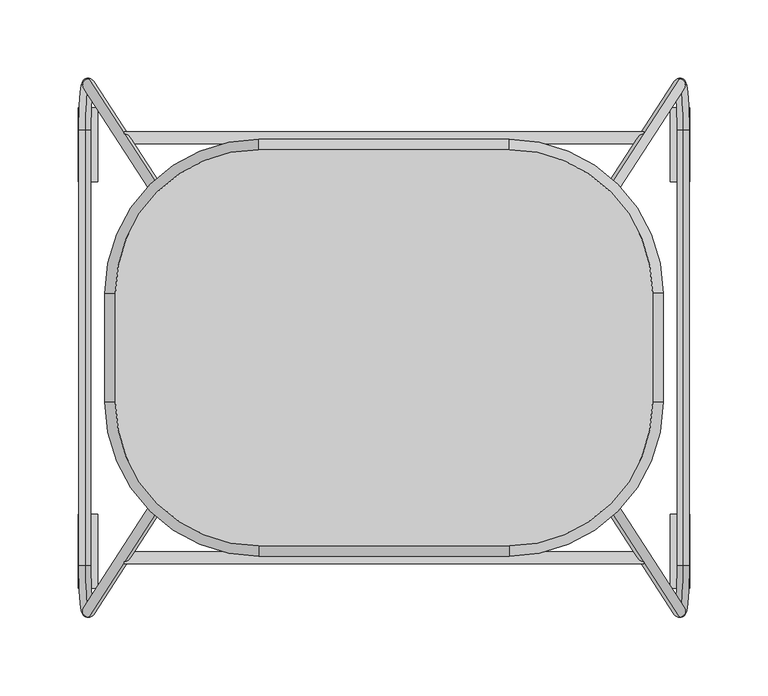
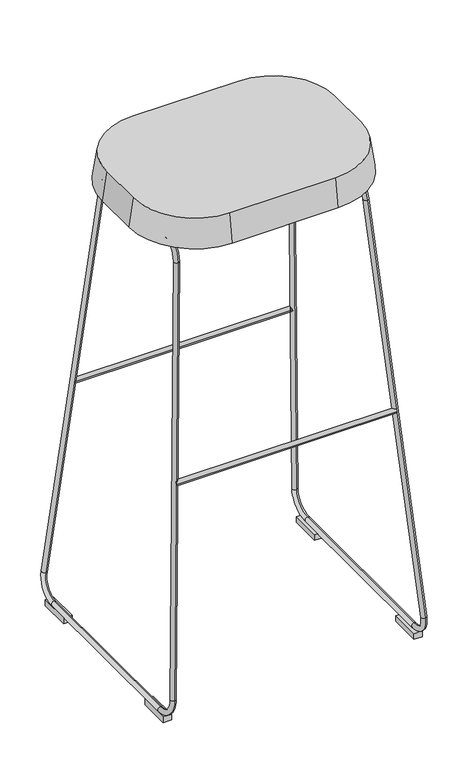
"""IFC4 building model written with IfcOpenShell, lengths in millimetres: furniture geometry."""

from ifc_helpers import new_model, si_unit, point, frame, frame_2d, origin, origin_with_axes, place, context, project, spatial, polyline, circle_curve, ellipse_curve, trimmed, segment, composite_curve, outline, extrude, source, transform, mapped, element, save
from ifc_brep_helpers import plane_surface, cylinder_surface, revolved_surface, advanced_brep


def furniture_77eb3852(model_context):
    return source(origin(), model_context, "Body", "SolidModel", [
        extrude(outline(composite_curve([segment(trimmed(circle_curve(frame_2d((-134.3392785, 359.3328814)), 3.8643329), [point((-138.2036115, 359.3328814))], [point((-130.4749456, 359.3328814))], False, "CARTESIAN"), True, "CONTINUOUS"), segment(trimmed(circle_curve(frame_2d((-134.3392785, 359.3328814)), 3.8643329), [point((-130.4749456, 359.3328814))], [point((-138.2036115, 359.3328814))], False, "CARTESIAN"), True, "CONTINUOUS")], self_intersect=False)), frame((-166.2553498, 0.0, 0.0), z_axis=(1.0, 0.0, 0.0), x_axis=(0.0, 1.0, 0.0)), (0.0, 0.0, 1.0), 332.5459748),
        extrude(outline(composite_curve([segment(trimmed(circle_curve(frame_2d((134.3392785, 359.3328814)), 3.8643329), [point((130.4749456, 359.3328814))], [point((138.2036115, 359.3328814))], False, "CARTESIAN"), True, "CONTINUOUS"), segment(trimmed(circle_curve(frame_2d((134.3392785, 359.3328814)), 3.8643329), [point((138.2036115, 359.3328814))], [point((130.4749456, 359.3328814))], False, "CARTESIAN"), True, "CONTINUOUS")], self_intersect=False)), frame((-166.2553498, 0.0, 0.0), z_axis=(1.0, 0.0, 0.0), x_axis=(0.0, 1.0, 0.0)), (0.0, 0.0, 1.0), 332.5459748),
        advanced_brep(
        [(140.8567394, -69.6460532, 711.4858027), (141.3278148, -69.6460532, 703.6533505), (-140.8567394, -69.6460532, 711.4858027), (-141.3278148, -69.6460532, 703.6533505)],
        [
            (0, 1, circle_curve(frame((141.0922771, -69.6460532, 707.5695766), z_axis=(0.9981962390833726, 0.0, 0.0600355584617176), x_axis=(0.0600355584617176, 0.0, -0.9981962390833726)), 3.9233028)),
            (1, 0, circle_curve(frame((141.0922771, -69.6460532, 707.5695766), z_axis=(0.9981962390833726, 0.0, 0.0600355584617176), x_axis=(0.0600355584617176, 0.0, -0.9981962390833726)), 3.9233028)),
            (2, 3, circle_curve(frame((-141.0922771, -69.6460532, 707.5695766), z_axis=(-0.9981962390833747, 0.0, 0.060035558461683555), x_axis=(-0.060035558461683555, 0.0, -0.9981962390833747)), 3.9233028)),
            (3, 2, circle_curve(frame((-141.0922771, -69.6460532, 707.5695766), z_axis=(-0.9981962390833747, 0.0, 0.060035558461683555), x_axis=(-0.060035558461683555, 0.0, -0.9981962390833747)), 3.9233028)),
            (3, 1, circle_curve(frame((0.0, -69.6460532, 3053.475636), z_axis=(0.0, -1.0, 0.0), x_axis=(0.0600355584617176, 0.0, -0.9981962390833726)), 2354.0684622)),
            (0, 2, circle_curve(frame((0.0, -69.6460532, 3053.475636), z_axis=(0.0, 1.0, 0.0), x_axis=(0.0600355584617176, 0.0, -0.9981962390833726)), 2346.2218566)),
        ],
        [
            plane_surface(frame((141.1466707, 0.0, 706.6651883), z_axis=(0.9981962390833727, 0.0, 0.060035558461717604), x_axis=(0.0, -1.0, 0.0))),
            plane_surface(frame((-141.1466707, 0.0, 706.6651883), z_axis=(-0.9981962390833747, 0.0, 0.06003555846168356), x_axis=(0.0, -1.0, 0.0))),
            revolved_surface(trimmed(ellipse_curve(frame((141.0922771, -69.6460532, 707.5695766), z_axis=(0.9981962390833726, 0.0, 0.0600355584617176), x_axis=(0.0600355584617176, 0.0, -0.9981962390833726)), 3.9233028, 3.9233028), [point((140.8567394, -69.6460532, 711.4858027))], [point((141.3278148, -69.6460532, 703.6533505))], True, "CARTESIAN"), (0.0, 0.0, 3053.475636), (0.0, 1.0, 0.0)),
            revolved_surface(trimmed(ellipse_curve(frame((141.0922771, -69.6460532, 707.5695766), z_axis=(0.9981962390833726, 0.0, 0.0600355584617176), x_axis=(0.0600355584617176, 0.0, -0.9981962390833726)), 3.9233028, 3.9233028), [point((141.3278148, -69.6460532, 703.6533505))], [point((140.8567394, -69.6460532, 711.4858027))], True, "CARTESIAN"), (0.0, 0.0, 3053.475636), (0.0, 1.0, 0.0)),
        ],
        [
            (0, [[1, 2]]),
            (1, [[3, 4]]),
            (2, [[5, -1, 6, -4]]),
            (3, [[-6, -2, -5, -3]]),
        ],
    ),
        advanced_brep(
        [(140.8567394, 61.0883878, 711.4858027), (141.3278148, 61.0883878, 703.6533505), (-140.8567394, 61.0883878, 711.4858027), (-141.3278148, 61.0883878, 703.6533505)],
        [
            (0, 1, circle_curve(frame((141.0922771, 61.0883878, 707.5695766), z_axis=(0.9981962390833726, 0.0, 0.0600355584617176), x_axis=(0.0600355584617176, 0.0, -0.9981962390833726)), 3.9233028)),
            (1, 0, circle_curve(frame((141.0922771, 61.0883878, 707.5695766), z_axis=(0.9981962390833726, 0.0, 0.0600355584617176), x_axis=(0.0600355584617176, 0.0, -0.9981962390833726)), 3.9233028)),
            (2, 3, circle_curve(frame((-141.0922771, 61.0883878, 707.5695766), z_axis=(-0.9981962390833747, 0.0, 0.060035558461683555), x_axis=(-0.060035558461683555, 0.0, -0.9981962390833747)), 3.9233028)),
            (3, 2, circle_curve(frame((-141.0922771, 61.0883878, 707.5695766), z_axis=(-0.9981962390833747, 0.0, 0.060035558461683555), x_axis=(-0.060035558461683555, 0.0, -0.9981962390833747)), 3.9233028)),
            (3, 1, circle_curve(frame((0.0, 61.0883878, 3053.475636), z_axis=(0.0, -1.0, 0.0), x_axis=(0.0600355584617176, 0.0, -0.9981962390833726)), 2354.0684622)),
            (0, 2, circle_curve(frame((0.0, 61.0883878, 3053.475636), z_axis=(0.0, 1.0, 0.0), x_axis=(0.0600355584617176, 0.0, -0.9981962390833726)), 2346.2218566)),
        ],
        [
            plane_surface(frame((141.1466707, 0.0, 706.6651883), z_axis=(0.9981962390833727, 0.0, 0.060035558461717604), x_axis=(0.0, -1.0, 0.0))),
            plane_surface(frame((-141.1466707, 0.0, 706.6651883), z_axis=(-0.9981962390833747, 0.0, 0.06003555846168356), x_axis=(0.0, -1.0, 0.0))),
            revolved_surface(trimmed(ellipse_curve(frame((141.0922771, 61.0883878, 707.5695766), z_axis=(0.9981962390833726, 0.0, 0.0600355584617176), x_axis=(0.0600355584617176, 0.0, -0.9981962390833726)), 3.9233028, 3.9233028), [point((140.8567394, 61.0883878, 711.4858027))], [point((141.3278148, 61.0883878, 703.6533505))], True, "CARTESIAN"), (0.0, 0.0, 3053.475636), (0.0, 1.0, 0.0)),
            revolved_surface(trimmed(ellipse_curve(frame((141.0922771, 61.0883878, 707.5695766), z_axis=(0.9981962390833726, 0.0, 0.0600355584617176), x_axis=(0.0600355584617176, 0.0, -0.9981962390833726)), 3.9233028, 3.9233028), [point((141.3278148, 61.0883878, 703.6533505))], [point((140.8567394, 61.0883878, 711.4858027))], True, "CARTESIAN"), (0.0, 0.0, 3053.475636), (0.0, 1.0, 0.0)),
        ],
        [
            (0, [[1, 2]]),
            (1, [[3, 4]]),
            (2, [[5, -1, 6, -4]]),
            (3, [[-6, -2, -5, -3]]),
        ],
    ),
        advanced_brep(
        [(189.0251842, 172.3669079, 43.6361928), (191.6711433, 139.4457291, 6.9499124), (191.1151757, 139.4457291, 14.6584151), (189.086579, 164.6856491, 42.7849531), (143.0249027, 93.5425009, 681.4310979), (142.963508, 101.2237597, 682.2823376), (140.8438137, 68.3025809, 711.6719452), (141.3997813, 68.3025809, 703.9634425), (141.3997813, -68.3025809, 703.9634425), (140.8438137, -68.3025809, 711.6719452), (142.963508, -101.2237597, 682.2823376), (143.0249027, -93.5425009, 681.4310979), (189.086579, -164.6856491, 42.7849531), (189.0251842, -172.3669079, 43.6361928), (191.6711433, -139.4457291, 6.9499124), (191.1151757, -139.4457291, 14.6584151)],
        [
            (0, 1, circle_curve(frame((189.2883166, 139.4457291, 39.9878564), z_axis=(-0.9974091721151543, 0.0, -0.07193707931631962), x_axis=(0.07193707931631962, 0.0, -0.9974091721151543)), 33.123762)),
            (1, 2, circle_curve(frame((191.3931595, 139.4457291, 10.8041637), z_axis=(0.0, 1.0, 0.0), x_axis=(-0.0719370793163196, 0.0, 0.9974091721151543)), 3.864263)),
            (2, 3, circle_curve(frame((189.2883166, 139.4457291, 39.9878564), z_axis=(0.9974091721151543, 0.0, 0.07193707931631962), x_axis=(0.07193707931631962, 0.0, -0.9974091721151543)), 25.395236)),
            (3, 0, circle_curve(frame((189.0558816, 168.5262785, 43.2105729), z_axis=(0.07149711583528118, 0.11042867568855079, -0.9913090688644531), x_axis=(0.007943916401803443, -0.9938840513790694, -0.11014257399629031)), 3.864263)),
            (2, 1, circle_curve(frame((191.3931595, 139.4457291, 10.8041637), z_axis=(0.0, 1.0, 0.0), x_axis=(-0.0719370793163196, 0.0, 0.9974091721151543)), 3.864263)),
            (0, 3, circle_curve(frame((189.0558816, 168.5262785, 43.2105729), z_axis=(0.07149711583528118, 0.11042867568855123, -0.9913090688644531), x_axis=(0.007943916401803475, -0.9938840513790694, -0.11014257399629075)), 3.864263)),
            (3, 4),
            (4, 5, circle_curve(frame((142.9942053, 97.3831303, 681.8567177), z_axis=(0.07149711583528126, 0.11042867568855086, -0.9913090688644532), x_axis=(0.007943916401803447, -0.9938840513790695, -0.11014257399629038)), 3.864263)),
            (5, 0),
            (5, 4, circle_curve(frame((142.9942053, 97.3831303, 681.8567177), z_axis=(0.07149711583528126, 0.11042867568855086, -0.9913090688644532), x_axis=(0.007943916401803447, -0.9938840513790695, -0.11014257399629038)), 3.864263)),
            (6, 5, circle_curve(frame((143.2266404, 68.3025809, 678.6340012), z_axis=(-0.9974091721151543, 0.0, -0.07193707931631962), x_axis=(-0.007943916401803313, 0.9938840513790697, 0.11014257399628892)), 33.123762)),
            (4, 7, circle_curve(frame((143.2266404, 68.3025809, 678.6340012), z_axis=(0.9974091721151543, 0.0, 0.07193707931631962), x_axis=(-0.007943916401803313, 0.9938840513790697, 0.11014257399628892)), 25.395236)),
            (7, 6, circle_curve(frame((141.1217975, 68.3025809, 707.8176939), z_axis=(0.0, 1.0, 0.0), x_axis=(0.07193707931631964, 0.0, -0.9974091721151543)), 3.864263)),
            (6, 7, circle_curve(frame((141.1217975, 68.3025809, 707.8176939), z_axis=(0.0, 1.0, 0.0), x_axis=(0.07193707931631962, 0.0, -0.9974091721151542)), 3.864263)),
            (7, 8),
            (8, 9, circle_curve(frame((141.1217975, -68.3025809, 707.8176939), z_axis=(0.0, 1.0, 0.0), x_axis=(0.07193707931631965, 0.0, -0.9974091721151543)), 3.864263)),
            (9, 6),
            (9, 8, circle_curve(frame((141.1217975, -68.3025809, 707.8176939), z_axis=(0.0, 1.0, 0.0), x_axis=(0.07193707931631965, 0.0, -0.9974091721151543)), 3.864263)),
            (10, 9, circle_curve(frame((143.2266404, -68.3025809, 678.6340012), z_axis=(-0.9974091721151543, 0.0, -0.07193707931631962), x_axis=(-0.07193707931631962, 0.0, 0.9974091721151543)), 33.123762)),
            (8, 11, circle_curve(frame((143.2266404, -68.3025809, 678.6340012), z_axis=(0.9974091721151543, 0.0, 0.07193707931631962), x_axis=(-0.07193707931631962, 0.0, 0.9974091721151543)), 25.395236)),
            (11, 10, circle_curve(frame((142.9942053, -97.3831303, 681.8567177), z_axis=(-0.07149711583528122, 0.11042867568855574, 0.9913090688644527), x_axis=(0.007943916401803799, 0.993884051379069, -0.11014257399629525)), 3.864263)),
            (10, 11, circle_curve(frame((142.9942053, -97.3831303, 681.8567177), z_axis=(-0.07149711583528123, 0.11042867568855398, 0.9913090688644528), x_axis=(0.007943916401803672, 0.9938840513790691, -0.1101425739962935)), 3.864263)),
            (11, 12),
            (12, 13, circle_curve(frame((189.0558816, -168.5262785, 43.2105729), z_axis=(-0.07149711583528134, 0.11042867568855075, 0.9913090688644532), x_axis=(0.007943916401803431, 0.9938840513790695, -0.11014257399629027)), 3.864263)),
            (13, 10),
            (13, 12, circle_curve(frame((189.0558816, -168.5262785, 43.2105729), z_axis=(-0.07149711583528134, 0.11042867568855075, 0.9913090688644532), x_axis=(0.007943916401803431, 0.9938840513790695, -0.11014257399629027)), 3.864263)),
            (14, 13, circle_curve(frame((189.2883166, -139.4457291, 39.9878564), z_axis=(-0.9974091721151543, 0.0, -0.07193707931631962), x_axis=(-0.007943916401803856, -0.9938840513790689, 0.11014257399629643)), 33.123762)),
            (12, 15, circle_curve(frame((189.2883166, -139.4457291, 39.9878564), z_axis=(0.9974091721151543, 0.0, 0.07193707931631962), x_axis=(-0.007943916401803856, -0.9938840513790689, 0.11014257399629643)), 25.395236)),
            (15, 14, circle_curve(frame((191.3931595, -139.4457291, 10.8041637), z_axis=(0.0, -1.0, 0.0), x_axis=(-0.07193707931631962, 0.0, 0.9974091721151543)), 3.864263)),
            (14, 15, circle_curve(frame((191.3931595, -139.4457291, 10.8041637), z_axis=(0.0, -1.0000000000000002, 0.0), x_axis=(-0.07193707931631962, 0.0, 0.9974091721151543)), 3.864263)),
            (15, 2),
            (1, 14),
        ],
        [
            revolved_surface(trimmed(ellipse_curve(frame((191.3931595, 139.4457291, 10.8041637), z_axis=(0.0, -1.0, 0.0), x_axis=(-0.0719370793163196, 0.0, 0.9974091721151543)), 3.864263, 3.864263), [point((191.1151757, 139.4457291, 14.6584151))], [point((191.6711433, 139.4457291, 6.9499124))], True, "CARTESIAN"), (189.4809729, 139.4457291, 40.0017515), (0.9974091721151543, 0.0, 0.07193707931631962)),
            revolved_surface(trimmed(ellipse_curve(frame((191.3931595, 139.4457291, 10.8041637), z_axis=(0.0, -1.0, 0.0), x_axis=(-0.0719370793163196, 0.0, 0.9974091721151543)), 3.864263, 3.864263), [point((191.6711433, 139.4457291, 6.9499124))], [point((191.1151757, 139.4457291, 14.6584151))], True, "CARTESIAN"), (189.4809729, 139.4457291, 40.0017515), (0.9974091721151543, 0.0, 0.07193707931631962)),
            cylinder_surface(frame((189.0558816, 168.5262785, 43.2105729), z_axis=(0.07149711583528126, 0.11042867568855086, -0.9913090688644532), x_axis=(0.007943916401803447, -0.9938840513790695, -0.11014257399629038)), 3.864263),
            revolved_surface(trimmed(ellipse_curve(frame((142.9942053, 97.3831303, 681.8567177), z_axis=(0.07149711583528119, 0.11042867568854949, -0.9913090688644534), x_axis=(0.00794391640180334, -0.9938840513790697, -0.11014257399628902)), 3.864263, 3.864263), [point((143.0249027, 93.5425009, 681.4310979))], [point((142.963508, 101.2237597, 682.2823376))], True, "CARTESIAN"), (143.4192967, 68.3025809, 678.6478963), (0.9974091721151543, 0.0, 0.07193707931631962)),
            revolved_surface(trimmed(ellipse_curve(frame((142.9942053, 97.3831303, 681.8567177), z_axis=(0.07149711583528119, 0.11042867568854949, -0.9913090688644534), x_axis=(0.00794391640180334, -0.9938840513790697, -0.11014257399628902)), 3.864263, 3.864263), [point((142.963508, 101.2237597, 682.2823376))], [point((143.0249027, 93.5425009, 681.4310979))], True, "CARTESIAN"), (143.4192967, 68.3025809, 678.6478963), (0.9974091721151543, 0.0, 0.07193707931631962)),
            cylinder_surface(frame((141.1217975, 68.3025809, 707.8176939), z_axis=(0.0, 1.0, 0.0), x_axis=(0.07193707931631965, 0.0, -0.9974091721151543)), 3.864263),
            revolved_surface(trimmed(ellipse_curve(frame((141.1217975, -68.3025809, 707.8176939), z_axis=(0.0, 1.0, 0.0), x_axis=(0.07193707931631965, 0.0, -0.9974091721151543)), 3.864263, 3.864263), [point((141.3997813, -68.3025809, 703.9634425))], [point((140.8438137, -68.3025809, 711.6719452))], True, "CARTESIAN"), (143.4192967, -68.3025809, 678.6478963), (0.9974091721151543, 0.0, 0.07193707931631962)),
            revolved_surface(trimmed(ellipse_curve(frame((141.1217975, -68.3025809, 707.8176939), z_axis=(0.0, 1.0, 0.0), x_axis=(0.07193707931631965, 0.0, -0.9974091721151543)), 3.864263, 3.864263), [point((140.8438137, -68.3025809, 711.6719452))], [point((141.3997813, -68.3025809, 703.9634425))], True, "CARTESIAN"), (143.4192967, -68.3025809, 678.6478963), (0.9974091721151543, 0.0, 0.07193707931631962)),
            cylinder_surface(frame((142.9942053, -97.3831303, 681.8567177), z_axis=(-0.07149711583528134, 0.11042867568855075, 0.9913090688644532), x_axis=(0.007943916401803431, 0.9938840513790695, -0.11014257399629027)), 3.864263),
            revolved_surface(trimmed(ellipse_curve(frame((189.0558816, -168.5262785, 43.2105729), z_axis=(-0.0714971158352812, 0.11042867568855688, 0.9913090688644526), x_axis=(0.007943916401803872, 0.9938840513790689, -0.11014257399629639)), 3.864263, 3.864263), [point((189.086579, -164.6856491, 42.7849531))], [point((189.0251842, -172.3669079, 43.6361928))], True, "CARTESIAN"), (189.4809729, -139.4457291, 40.0017515), (0.9974091721151543, 0.0, 0.07193707931631962)),
            revolved_surface(trimmed(ellipse_curve(frame((189.0558816, -168.5262785, 43.2105729), z_axis=(-0.0714971158352812, 0.11042867568855688, 0.9913090688644526), x_axis=(0.007943916401803872, 0.9938840513790689, -0.11014257399629639)), 3.864263, 3.864263), [point((189.0251842, -172.3669079, 43.6361928))], [point((189.086579, -164.6856491, 42.7849531))], True, "CARTESIAN"), (189.4809729, -139.4457291, 40.0017515), (0.9974091721151543, 0.0, 0.07193707931631962)),
            cylinder_surface(frame((191.3931595, -139.4457291, 10.8041637), z_axis=(0.0, -1.0000000000000002, 0.0), x_axis=(-0.07193707931631961, 0.0, 0.9974091721151545)), 3.864263),
        ],
        [
            (0, [[1, 2, 3, 4]]),
            (1, [[-3, 5, -1, 6]]),
            (2, [[-4, 7, 8, 9]]),
            (2, [[-6, -9, 10, -7]]),
            (3, [[11, -8, 12, 13]]),
            (4, [[-12, -10, -11, 14]]),
            (5, [[-13, 15, 16, 17]]),
            (5, [[-14, -17, 18, -15]]),
            (6, [[19, -16, 20, 21]]),
            (7, [[-20, -18, -19, 22]]),
            (8, [[-21, 23, 24, 25]]),
            (8, [[-22, -25, 26, -23]]),
            (9, [[27, -24, 28, 29]]),
            (10, [[-28, -26, -27, 30]]),
            (11, [[-29, 31, -2, 32]]),
            (11, [[-30, -32, -5, -31]]),
        ],
    ),
        advanced_brep(
        [(-189.0251842, 172.3669079, 43.6361928), (-191.6711433, 139.4457291, 6.9499124), (-191.1151757, 139.4457291, 14.6584151), (-189.086579, 164.6856491, 42.7849531), (-143.0249027, 93.5425009, 681.4310979), (-142.963508, 101.2237597, 682.2823376), (-140.8438137, 68.3025809, 711.6719452), (-141.3997813, 68.3025809, 703.9634425), (-141.3997813, -68.3025809, 703.9634425), (-140.8438137, -68.3025809, 711.6719452), (-142.963508, -101.2237597, 682.2823376), (-143.0249027, -93.5425009, 681.4310979), (-189.086579, -164.6856491, 42.7849531), (-189.0251842, -172.3669079, 43.6361928), (-191.6711433, -139.4457291, 6.9499124), (-191.1151757, -139.4457291, 14.6584151)],
        [
            (0, 1, circle_curve(frame((-189.2883166, 139.4457291, 39.9878564), z_axis=(-0.9974091721151529, 0.0, 0.07193707931634012), x_axis=(-0.07193707931634012, 0.0, -0.9974091721151529)), 33.123762)),
            (1, 2, circle_curve(frame((-191.3931595, 139.4457291, 10.8041637), z_axis=(0.0, 1.0, 0.0), x_axis=(-0.07193707931634016, 0.0, -0.9974091721151529)), 3.864263)),
            (2, 3, circle_curve(frame((-189.2883166, 139.4457291, 39.9878564), z_axis=(0.9974091721151529, 0.0, -0.07193707931634012), x_axis=(-0.07193707931634012, 0.0, -0.9974091721151529)), 25.395236)),
            (3, 0, circle_curve(frame((-189.0558816, 168.5262785, 43.2105729), z_axis=(-0.07149711583530158, 0.11042867568855096, -0.9913090688644517), x_axis=(0.007943916401805648, 0.9938840513790694, 0.11014257399629032)), 3.864263)),
            (2, 1, circle_curve(frame((-191.3931595, 139.4457291, 10.8041637), z_axis=(0.0, 1.0, 0.0), x_axis=(-0.07193707931634016, 0.0, -0.9974091721151529)), 3.864263)),
            (0, 3, circle_curve(frame((-189.0558816, 168.5262785, 43.2105729), z_axis=(-0.07149711583530159, 0.11042867568855073, -0.9913090688644518), x_axis=(0.007943916401805633, 0.9938840513790695, 0.1101425739962901)), 3.864263)),
            (3, 4),
            (4, 5, circle_curve(frame((-142.9942053, 97.3831303, 681.8567177), z_axis=(-0.07149711583530165, 0.11042867568855085, -0.9913090688644518), x_axis=(0.007943916401805636, 0.9938840513790694, 0.11014257399629018)), 3.864263)),
            (5, 0),
            (5, 4, circle_curve(frame((-142.9942053, 97.3831303, 681.8567177), z_axis=(-0.07149711583530165, 0.11042867568855085, -0.9913090688644518), x_axis=(0.007943916401805636, 0.9938840513790694, 0.11014257399629018)), 3.864263)),
            (6, 5, circle_curve(frame((-143.2266404, 68.3025809, 678.6340012), z_axis=(-0.9974091721151529, 0.0, 0.07193707931634012), x_axis=(0.007943916401805659, 0.9938840513790695, 0.11014257399628988)), 33.123762)),
            (4, 7, circle_curve(frame((-143.2266404, 68.3025809, 678.6340012), z_axis=(0.9974091721151529, 0.0, -0.07193707931634012), x_axis=(0.007943916401805659, 0.9938840513790695, 0.11014257399628988)), 25.395236)),
            (7, 6, circle_curve(frame((-141.1217975, 68.3025809, 707.8176939), z_axis=(0.0, 1.0, 0.0), x_axis=(0.0719370793163401, 0.0, 0.9974091721151529)), 3.864263)),
            (6, 7, circle_curve(frame((-141.1217975, 68.3025809, 707.8176939), z_axis=(0.0, 1.0, 0.0), x_axis=(0.07193707931634008, 0.0, 0.9974091721151529)), 3.864263)),
            (7, 8),
            (8, 9, circle_curve(frame((-141.1217975, -68.3025809, 707.8176939), z_axis=(0.0, 1.0, 0.0), x_axis=(0.0719370793163401, 0.0, 0.9974091721151529)), 3.864263)),
            (9, 6),
            (9, 8, circle_curve(frame((-141.1217975, -68.3025809, 707.8176939), z_axis=(0.0, 1.0, 0.0), x_axis=(0.0719370793163401, 0.0, 0.9974091721151529)), 3.864263)),
            (10, 9, circle_curve(frame((-143.2266404, -68.3025809, 678.6340012), z_axis=(-0.9974091721151529, 0.0, 0.07193707931634012), x_axis=(0.07193707931634012, 0.0, 0.9974091721151529)), 33.123762)),
            (8, 11, circle_curve(frame((-143.2266404, -68.3025809, 678.6340012), z_axis=(0.9974091721151529, 0.0, -0.07193707931634012), x_axis=(0.07193707931634012, 0.0, 0.9974091721151529)), 25.395236)),
            (11, 10, circle_curve(frame((-142.9942053, -97.3831303, 681.8567177), z_axis=(0.07149711583530163, 0.11042867568854522, 0.9913090688644524), x_axis=(0.007943916401805251, -0.9938840513790701, 0.1101425739962846)), 3.864263)),
            (10, 11, circle_curve(frame((-142.9942053, -97.3831303, 681.8567177), z_axis=(0.07149711583530156, 0.11042867568855405, 0.9913090688644514), x_axis=(0.007943916401805886, -0.9938840513790691, 0.1101425739962934)), 3.864263)),
            (11, 12),
            (12, 13, circle_curve(frame((-189.0558816, -168.5262785, 43.2105729), z_axis=(0.07149711583530168, 0.11042867568855082, 0.9913090688644518), x_axis=(0.007943916401805638, -0.9938840513790694, 0.11014257399629016)), 3.864263)),
            (13, 10),
            (13, 12, circle_curve(frame((-189.0558816, -168.5262785, 43.2105729), z_axis=(0.07149711583530168, 0.11042867568855082, 0.9913090688644518), x_axis=(0.007943916401805638, -0.9938840513790694, 0.11014257399629016)), 3.864263)),
            (14, 13, circle_curve(frame((-189.2883166, -139.4457291, 39.9878564), z_axis=(-0.9974091721151529, 0.0, 0.07193707931634012), x_axis=(0.00794391640180612, -0.9938840513790689, 0.11014257399629628)), 33.123762)),
            (12, 15, circle_curve(frame((-189.2883166, -139.4457291, 39.9878564), z_axis=(0.9974091721151529, 0.0, -0.07193707931634012), x_axis=(0.00794391640180612, -0.9938840513790689, 0.11014257399629628)), 25.395236)),
            (15, 14, circle_curve(frame((-191.3931595, -139.4457291, 10.8041637), z_axis=(0.0, -1.0, 0.0), x_axis=(-0.07193707931634016, 0.0, -0.9974091721151529)), 3.864263)),
            (14, 15, circle_curve(frame((-191.3931595, -139.4457291, 10.8041637), z_axis=(0.0, -1.0, 0.0), x_axis=(-0.07193707931634016, 0.0, -0.9974091721151529)), 3.864263)),
            (15, 2),
            (1, 14),
        ],
        [
            revolved_surface(trimmed(ellipse_curve(frame((-191.3931595, 139.4457291, 10.8041637), z_axis=(0.0, -1.0, 0.0), x_axis=(-0.07193707931634016, 0.0, -0.9974091721151529)), 3.864263, 3.864263), [point((-191.1151757, 139.4457291, 14.6584151))], [point((-191.6711433, 139.4457291, 6.9499124))], True, "CARTESIAN"), (-189.4809729, 139.4457291, 40.0017515), (0.9974091721151529, 0.0, -0.07193707931634012)),
            revolved_surface(trimmed(ellipse_curve(frame((-191.3931595, 139.4457291, 10.8041637), z_axis=(0.0, -1.0, 0.0), x_axis=(-0.07193707931634016, 0.0, -0.9974091721151529)), 3.864263, 3.864263), [point((-191.6711433, 139.4457291, 6.9499124))], [point((-191.1151757, 139.4457291, 14.6584151))], True, "CARTESIAN"), (-189.4809729, 139.4457291, 40.0017515), (0.9974091721151529, 0.0, -0.07193707931634012)),
            cylinder_surface(frame((-189.0558816, 168.5262785, 43.2105729), z_axis=(-0.07149711583530165, 0.11042867568855085, -0.9913090688644518), x_axis=(0.007943916401805636, 0.9938840513790694, 0.11014257399629018)), 3.864263),
            revolved_surface(trimmed(ellipse_curve(frame((-142.9942053, 97.3831303, 681.8567177), z_axis=(-0.07149711583530152, 0.11042867568855048, -0.9913090688644518), x_axis=(0.007943916401805614, 0.9938840513790695, 0.11014257399628984)), 3.864263, 3.864263), [point((-143.0249027, 93.5425009, 681.4310979))], [point((-142.963508, 101.2237597, 682.2823376))], True, "CARTESIAN"), (-143.4192967, 68.3025809, 678.6478963), (0.9974091721151529, 0.0, -0.07193707931634012)),
            revolved_surface(trimmed(ellipse_curve(frame((-142.9942053, 97.3831303, 681.8567177), z_axis=(-0.07149711583530152, 0.11042867568855048, -0.9913090688644518), x_axis=(0.007943916401805614, 0.9938840513790695, 0.11014257399628984)), 3.864263, 3.864263), [point((-142.963508, 101.2237597, 682.2823376))], [point((-143.0249027, 93.5425009, 681.4310979))], True, "CARTESIAN"), (-143.4192967, 68.3025809, 678.6478963), (0.9974091721151529, 0.0, -0.07193707931634012)),
            cylinder_surface(frame((-141.1217975, 68.3025809, 707.8176939), z_axis=(0.0, 1.0, 0.0), x_axis=(0.0719370793163401, 0.0, 0.9974091721151529)), 3.864263),
            revolved_surface(trimmed(ellipse_curve(frame((-141.1217975, -68.3025809, 707.8176939), z_axis=(0.0, 1.0, 0.0), x_axis=(0.0719370793163401, 0.0, 0.9974091721151529)), 3.864263, 3.864263), [point((-141.3997813, -68.3025809, 703.9634425))], [point((-140.8438137, -68.3025809, 711.6719452))], True, "CARTESIAN"), (-143.4192967, -68.3025809, 678.6478963), (0.9974091721151529, 0.0, -0.07193707931634012)),
            revolved_surface(trimmed(ellipse_curve(frame((-141.1217975, -68.3025809, 707.8176939), z_axis=(0.0, 1.0, 0.0), x_axis=(0.0719370793163401, 0.0, 0.9974091721151529)), 3.864263, 3.864263), [point((-140.8438137, -68.3025809, 711.6719452))], [point((-141.3997813, -68.3025809, 703.9634425))], True, "CARTESIAN"), (-143.4192967, -68.3025809, 678.6478963), (0.9974091721151529, 0.0, -0.07193707931634012)),
            cylinder_surface(frame((-142.9942053, -97.3831303, 681.8567177), z_axis=(0.07149711583530168, 0.11042867568855082, 0.9913090688644518), x_axis=(0.007943916401805638, -0.9938840513790694, 0.11014257399629016)), 3.864263),
            revolved_surface(trimmed(ellipse_curve(frame((-189.0558816, -168.5262785, 43.2105729), z_axis=(0.07149711583530155, 0.1104286756885569, 0.9913090688644511), x_axis=(0.00794391640180608, -0.9938840513790689, 0.11014257399629623)), 3.864263, 3.864263), [point((-189.086579, -164.6856491, 42.7849531))], [point((-189.0251842, -172.3669079, 43.6361928))], True, "CARTESIAN"), (-189.4809729, -139.4457291, 40.0017515), (0.9974091721151529, 0.0, -0.07193707931634012)),
            revolved_surface(trimmed(ellipse_curve(frame((-189.0558816, -168.5262785, 43.2105729), z_axis=(0.07149711583530155, 0.1104286756885569, 0.9913090688644511), x_axis=(0.00794391640180608, -0.9938840513790689, 0.11014257399629623)), 3.864263, 3.864263), [point((-189.0251842, -172.3669079, 43.6361928))], [point((-189.086579, -164.6856491, 42.7849531))], True, "CARTESIAN"), (-189.4809729, -139.4457291, 40.0017515), (0.9974091721151529, 0.0, -0.07193707931634012)),
            cylinder_surface(frame((-191.3931595, -139.4457291, 10.8041637), z_axis=(0.0, -1.0000000000000002, 0.0), x_axis=(-0.07193707931634018, 0.0, -0.997409172115153)), 3.864263),
        ],
        [
            (0, [[1, 2, 3, 4]]),
            (1, [[-3, 5, -1, 6]]),
            (2, [[-4, 7, 8, 9]]),
            (2, [[-6, -9, 10, -7]]),
            (3, [[11, -8, 12, 13]]),
            (4, [[-12, -10, -11, 14]]),
            (5, [[-13, 15, 16, 17]]),
            (5, [[-14, -17, 18, -15]]),
            (6, [[19, -16, 20, 21]]),
            (7, [[-20, -18, -19, 22]]),
            (8, [[-21, 23, 24, 25]]),
            (8, [[-22, -25, 26, -23]]),
            (9, [[27, -24, 28, 29]]),
            (10, [[-28, -26, -27, 30]]),
            (11, [[-29, 31, -2, 32]]),
            (11, [[-30, -32, -5, -31]]),
        ],
    ),
        extrude(outline(polyline([(-182.9972239, 153.805517), (-182.9972239, 106.3039016), (-195.6901083, 106.3039016), (-195.6901083, 153.805517), (-182.9972239, 153.805517)])), origin_with_axes(), (0.0, 0.0, 1.0), 8.9773602),
        extrude(outline(polyline([(182.9972239, 153.805517), (195.6901083, 153.805517), (195.6901083, 106.3039016), (182.9972239, 106.3039016), (182.9972239, 153.805517)])), origin_with_axes(), (0.0, 0.0, 1.0), 8.9773602),
        extrude(outline(polyline([(-182.9972239, -153.805517), (-195.6901083, -153.805517), (-195.6901083, -106.3039016), (-182.9972239, -106.3039016), (-182.9972239, -153.805517)])), origin_with_axes(), (0.0, 0.0, 1.0), 8.9773602),
        extrude(outline(polyline([(182.9972239, -153.805517), (182.9972239, -106.3039016), (195.6901083, -106.3039016), (195.6901083, -153.805517), (182.9972239, -153.805517)])), origin_with_axes(), (0.0, 0.0, 1.0), 8.9773602),
        advanced_brep(
        [(-171.9189031, -34.925, 755.65), (-80.1154768, -126.7284262, 755.65), (80.1154768, -126.7284262, 755.65), (171.9189031, -34.925, 755.65), (171.9189031, 34.925, 755.65), (80.1154768, 126.7284262, 755.65), (-80.1154768, 126.7284262, 755.65), (-171.9189031, 34.925, 755.65), (-178.5135382, -34.925, 711.2250418), (-178.5135382, 34.925, 711.2250418), (-80.1154768, 133.3230614, 711.2250418), (80.1154768, 133.3230614, 711.2250418), (178.5135382, 34.925, 711.2250418), (178.5135382, -34.925, 711.2250418), (80.1154768, -133.3230614, 711.2250418), (-80.1154768, -133.3230614, 711.2250418)],
        [
            (0, 1, circle_curve(frame((-80.1154768, -34.925, 755.65), z_axis=(0.0, 0.0, 1.0), x_axis=(-1.0000000000000002, 0.0, 0.0)), 91.8034262)),
            (1, 2),
            (2, 3, circle_curve(frame((80.1154768, -34.925, 755.65), z_axis=(0.0, 0.0, 1.0), x_axis=(0.0, -1.0000000000000002, 0.0)), 91.8034262)),
            (3, 4),
            (4, 5, circle_curve(frame((80.1154768, 34.925, 755.65), z_axis=(0.0, 0.0, 1.0), x_axis=(1.0000000000000002, 0.0, 0.0)), 91.8034262)),
            (5, 6),
            (6, 7, circle_curve(frame((-80.1154768, 34.925, 755.65), z_axis=(0.0, 0.0, 1.0), x_axis=(0.0, 1.0000000000000002, 0.0)), 91.8034262)),
            (7, 0),
            (8, 9),
            (9, 10, circle_curve(frame((-80.1154768, 34.925, 711.2250418), z_axis=(0.0, 0.0, -1.0), x_axis=(0.0, 1.0000000000000002, 0.0)), 98.3980614)),
            (10, 11),
            (11, 12, circle_curve(frame((80.1154768, 34.925, 711.2250418), z_axis=(0.0, 0.0, -1.0), x_axis=(1.0000000000000002, 0.0, 0.0)), 98.3980614)),
            (12, 13),
            (13, 14, circle_curve(frame((80.1154768, -34.925, 711.2250418), z_axis=(0.0, 0.0, -1.0), x_axis=(0.0, -1.0000000000000002, 0.0)), 98.3980614)),
            (14, 15),
            (15, 8, circle_curve(frame((-80.1154768, -34.925, 711.2250418), z_axis=(0.0, 0.0, -1.0), x_axis=(-1.0000000000000002, 0.0, 0.0)), 98.3980614)),
            (15, 1),
            (0, 8),
            (14, 2),
            (13, 3),
            (12, 4),
            (11, 5),
            (10, 6),
            (9, 7),
        ],
        [
            plane_surface(frame((0.0, 0.0, 755.65), z_axis=(0.0, 0.0, 1.0), x_axis=(1.0, 0.0, 0.0))),
            plane_surface(frame((0.0, 0.0, 711.2250418), z_axis=(0.0, 0.0, -1.0), x_axis=(1.0, 0.0, 0.0))),
            revolved_surface(polyline([(-171.91890304995738, -34.925, 755.65), (-178.5135382, -34.925, 711.2250418)]), (-80.1154768, -34.925, 1374.0865444), (0.0, 0.0, -1.0)),
            plane_surface(frame((0.0, -133.3230614, 711.2250418), z_axis=(0.0, -0.989160943328851, 0.14683537786507003), x_axis=(1.0, 0.0, 0.0))),
            revolved_surface(polyline([(80.1154768, -126.72842624995738, 755.65), (80.1154768, -133.3230614, 711.2250418)]), (80.1154768, -34.925, 1374.0865444), (0.0, 0.0, -1.0)),
            plane_surface(frame((178.5135382, 0.0, 711.2250418), z_axis=(0.9891609433288493, 0.0, 0.14683537786508108), x_axis=(0.0, 1.0, 0.0))),
            revolved_surface(polyline([(171.91890304995738, 34.925, 755.65), (178.5135382, 34.925, 711.2250418)]), (80.1154768, 34.925, 1374.0865444), (0.0, 0.0, -1.0)),
            plane_surface(frame((0.0, 133.3230614, 711.2250418), z_axis=(0.0, 0.9891609433288517, 0.14683537786506412), x_axis=(-1.0, 0.0, 0.0))),
            revolved_surface(polyline([(-80.1154768, 126.72842624995738, 755.65), (-80.1154768, 133.3230614, 711.2250418)]), (-80.1154768, 34.925, 1374.0865444), (0.0, 0.0, -1.0)),
            plane_surface(frame((-178.5135382, 0.0, 711.2250418), z_axis=(-0.989160943328849, 0.0, 0.14683537786508405), x_axis=(0.0, -1.0, 0.0))),
        ],
        [
            (0, [[1, 2, 3, 4, 5, 6, 7, 8]]),
            (1, [[9, 10, 11, 12, 13, 14, 15, 16]]),
            (2, [[-16, 17, -1, 18]]),
            (3, [[-15, 19, -2, -17]]),
            (4, [[-14, 20, -3, -19]]),
            (5, [[-13, 21, -4, -20]]),
            (6, [[-12, 22, -5, -21]]),
            (7, [[-11, 23, -6, -22]]),
            (8, [[-10, 24, -7, -23]]),
            (9, [[-9, -18, -8, -24]]),
        ],
    ),
    ])


if __name__ == "__main__":
    model = new_model("IFC4")
    model_context = context("Model", 3, world=origin())
    ifc_project = project(units=[si_unit("LENGTHUNIT", "METRE", prefix="MILLI")], contexts=[model_context])
    site = spatial("IfcSite", under=ifc_project)
    building = spatial("IfcBuilding", under=site)
    placement = place(None, origin())
    furniture_shape = furniture_77eb3852(model_context)
    element("IfcFurniture", 1, at=placement, inside=building, context=model_context, shape_type="MappedRepresentation", body=[
        mapped(furniture_shape, transform((0.0, 0.0, 0.0), x_axis=(1.0, 0.0, 0.0), y_axis=(0.0, 1.0, 0.0), z_axis=(0.0, 0.0, 1.0))),
    ])
    save(model, "model.ifc")
